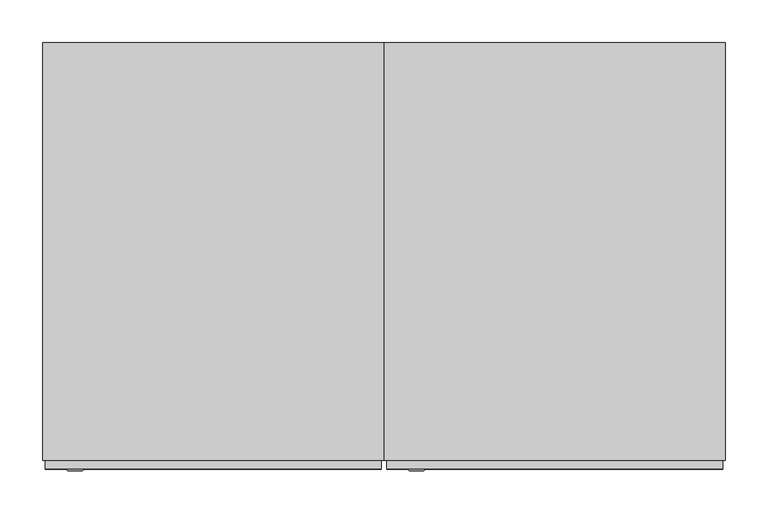
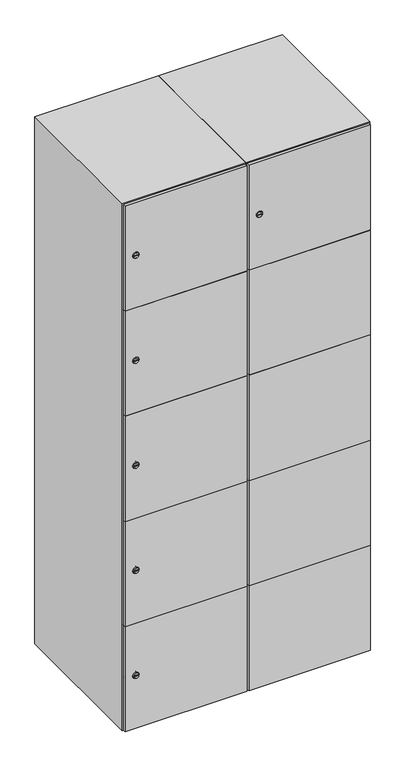
"""IFC4 building model written with IfcOpenShell, lengths in millimetres: furniture geometry."""

from ifc_helpers import new_model, si_unit, point, frame, frame_2d, origin, place, context, project, spatial, polyline, circle_curve, trimmed, segment, composite_curve, outline, extrude, faceted_brep, source, transform, mapped, element, save
from ifc_brep_helpers import plane_surface, revolved_surface, advanced_brep


def furniture_cf7b251f(model_context):
    return source(origin(), model_context, "Body", "SolidModel", [
        advanced_brep(
        [(246.5, -257.2, 1652.6), (229.5, -257.2, 1652.6), (233.0, -257.2, 1651.35), (233.0, -257.2, 1653.85), (243.0, -257.2, 1653.85), (243.0, -257.2, 1651.35), (248.5, -255.0, 1652.6), (227.5, -255.0, 1652.6), (233.0, -255.0, 1653.85), (233.0, -255.0, 1651.35), (243.0, -255.0, 1651.35), (243.0, -255.0, 1653.85)],
        [
            (0, 1, circle_curve(frame((238.0, -257.2, 1652.6), z_axis=(0.0, -1.0, 0.0), x_axis=(1.0, 0.0, 0.0)), 8.5)),
            (1, 0, circle_curve(frame((238.0, -257.2, 1652.6), z_axis=(0.0, -1.0, 0.0), x_axis=(-1.0, 0.0, 0.0)), 8.5)),
            (2, 3),
            (3, 4),
            (4, 5),
            (5, 2),
            (6, 7, circle_curve(frame((238.0, -255.0, 1652.6), z_axis=(0.0, 1.0, 0.0), x_axis=(-1.0, 0.0, 0.0)), 10.5)),
            (7, 6, circle_curve(frame((238.0, -255.0, 1652.6), z_axis=(0.0, 1.0, 0.0), x_axis=(1.0, 0.0, 0.0)), 10.5)),
            (8, 9),
            (9, 10),
            (10, 11),
            (11, 8),
            (0, 6),
            (7, 1),
            (8, 3),
            (2, 9),
            (11, 4),
            (10, 5),
        ],
        [
            plane_surface(frame((238.0, -257.2, 1652.6), z_axis=(0.0, -1.0, 0.0), x_axis=(0.0, 0.0, 1.0))),
            plane_surface(frame((238.0, -255.0, 1652.6), z_axis=(0.0, 1.0, 0.0), x_axis=(0.0, 0.0, 1.0))),
            revolved_surface(polyline([(246.5, -257.2, 1652.6), (248.5, -255.0, 1652.6)]), (238.0, -266.55, 1652.6), (0.0, 1.0, 0.0)),
            revolved_surface(polyline([(229.5, -257.2, 1652.6), (227.5, -255.0, 1652.6)]), (238.0, -266.55, 1652.6), (0.0, 1.0, 0.0)),
            plane_surface(frame((233.0, -255.0, 1651.35), z_axis=(1.0, 0.0, 0.0), x_axis=(0.0, -1.0, 0.0))),
            plane_surface(frame((233.0, -255.0, 1653.85), z_axis=(0.0, 0.0, -1.0), x_axis=(0.0, -1.0, 0.0))),
            plane_surface(frame((243.0, -255.0, 1653.85), z_axis=(-1.0, 0.0, 0.0), x_axis=(0.0, -1.0, 0.0))),
            plane_surface(frame((243.0, -255.0, 1651.35), z_axis=(0.0, 0.0, 1.0), x_axis=(0.0, -1.0, 0.0))),
        ],
        [
            (0, [[1, 2], [3, 4, 5, 6]]),
            (1, [[7, 8], [9, 10, 11, 12]]),
            (2, [[-1, 13, -8, 14]]),
            (3, [[-2, -14, -7, -13]]),
            (4, [[15, -3, 16, -9]]),
            (5, [[-15, -12, 17, -4]]),
            (6, [[-17, -11, 18, -5]]),
            (7, [[-16, -6, -18, -10]]),
        ],
    ),
        extrude(outline(polyline([(597.0, -245.0), (597.0, -255.0), (203.0, -255.0), (203.0, -245.0), (597.0, -245.0)])), frame((0.0, 0.0, 755.1), z_axis=(0.0, 0.0, 1.0), x_axis=(1.0, 0.0, 0.0)), (0.0, 0.0, 1.0), 359.8),
        extrude(outline(polyline([(597.0, -245.0), (597.0, -255.0), (203.0, -255.0), (203.0, -245.0), (597.0, -245.0)])), frame((0.0, 0.0, 396.3), z_axis=(0.0, 0.0, 1.0), x_axis=(1.0, 0.0, 0.0)), (0.0, 0.0, 1.0), 359.8),
        extrude(outline(polyline([(597.0, -245.0), (597.0, -255.0), (203.0, -255.0), (203.0, -245.0), (597.0, -245.0)])), frame((0.0, 0.0, 1113.9), z_axis=(0.0, 0.0, 1.0), x_axis=(1.0, 0.0, 0.0)), (0.0, 0.0, 1.0), 358.8),
        extrude(outline(polyline([(203.0, -255.0), (203.0, -245.0), (597.0, -245.0), (597.0, -255.0), (203.0, -255.0)])), frame((0.0, 0.0, 1473.7), z_axis=(0.0, 0.0, 1.0), x_axis=(1.0, 0.0, 0.0)), (0.0, 0.0, 1.0), 358.3),
        extrude(outline(polyline([(597.0, -245.0), (597.0, -255.0), (203.0, -255.0), (203.0, -245.0), (597.0, -245.0)])), frame((0.0, 0.0, 38.0), z_axis=(0.0, 0.0, 1.0), x_axis=(1.0, 0.0, 0.0)), (0.0, 0.0, 1.0), 359.3),
        extrude(outline(polyline([(579.6, 242.0), (579.6, -235.0), (220.4, -235.0), (220.4, 242.0), (579.6, 242.0)])), frame((0.0, 0.0, 1446.68), z_axis=(0.0, 0.0, 1.0), x_axis=(1.0, 0.0, 0.0)), (0.0, 0.0, 1.0), 20.4),
        extrude(outline(polyline([(579.6, 242.0), (579.6, -235.0), (220.4, -235.0), (220.4, 242.0), (579.6, 242.0)])), frame((0.0, 0.0, 1098.76), z_axis=(0.0, 0.0, 1.0), x_axis=(1.0, 0.0, 0.0)), (0.0, 0.0, 1.0), 20.4),
        extrude(outline(polyline([(579.6, 242.0), (579.6, -235.0), (220.4, -235.0), (220.4, 242.0), (579.6, 242.0)])), frame((0.0, 0.0, 750.84), z_axis=(0.0, 0.0, 1.0), x_axis=(1.0, 0.0, 0.0)), (0.0, 0.0, 1.0), 20.4),
        extrude(outline(polyline([(220.4, 242.0), (579.6, 242.0), (579.6, -235.0), (220.4, -235.0), (220.4, 242.0)])), frame((0.0, 0.0, 402.92), z_axis=(0.0, 0.0, 1.0), x_axis=(1.0, 0.0, 0.0)), (0.0, 0.0, 1.0), 20.4),
        faceted_brep([(600.0, -245.0, 35.0), (600.0, -245.0, 1835.0), (200.0, -245.0, 1835.0), (200.0, -245.0, 35.0), (579.6, -245.0, 1804.8), (579.6, -245.0, 65.2), (220.4, -245.0, 65.2), (220.4, -245.0, 1804.8), (600.0, 245.0, 35.0), (200.0, 245.0, 35.0), (600.0, 245.0, 1835.0), (200.0, 245.0, 1835.0), (579.6, 242.0, 1804.8), (579.6, 242.0, 65.2), (200.0, 245.0, 1804.8), (220.4, 242.0, 1804.8), (220.4, 242.0, 65.2)], [[[0, 1, 2, 3], [4, 5, 6, 7]], [[8, 0, 3, 9]], [[1, 0, 8, 10]], [[1, 10, 11, 2]], [[4, 12, 13, 5]], [[9, 3, 2, 11, 14]], [[10, 8, 9, 14, 11]], [[12, 15, 16, 13]], [[15, 7, 6, 16]], [[4, 7, 15, 12]], [[6, 5, 13, 16]]]),
        extrude(outline(composite_curve([segment(trimmed(circle_curve(frame_2d((217.4, -188.7989466)), 7.0), [point((224.4, -188.7989466))], [point((210.4, -188.7989466))], False, "CARTESIAN"), True, "CONTINUOUS"), segment(polyline([(210.4, -188.7989466), (210.4, -160.7989466)]), True, "CONTINUOUS"), segment(trimmed(circle_curve(frame_2d((217.4, -160.7989466)), 7.0), [point((210.4, -160.7989466))], [point((224.4, -160.7989466))], False, "CARTESIAN"), True, "CONTINUOUS"), segment(polyline([(224.4, -160.7989466), (224.4, -188.7989466)]), True, "CONTINUOUS")], self_intersect=False)), frame((0.0, -245.0, 0.0), z_axis=(0.0, 1.0, 0.0), x_axis=(0.0, 0.0, 1.0)), (0.0, 0.0, 1.0), 2.0),
        advanced_brep(
        [(-153.5, -257.2, 217.4), (-170.5, -257.2, 217.4), (-167.0, -257.2, 216.15), (-167.0, -257.2, 218.65), (-157.0, -257.2, 218.65), (-157.0, -257.2, 216.15), (-151.5, -255.0, 217.4), (-172.5, -255.0, 217.4), (-167.0, -255.0, 218.65), (-167.0, -255.0, 216.15), (-157.0, -255.0, 216.15), (-157.0, -255.0, 218.65)],
        [
            (0, 1, circle_curve(frame((-162.0, -257.2, 217.4), z_axis=(0.0, -1.0, 0.0), x_axis=(1.0, 0.0, 0.0)), 8.5)),
            (1, 0, circle_curve(frame((-162.0, -257.2, 217.4), z_axis=(0.0, -1.0, 0.0), x_axis=(-1.0, 0.0, 0.0)), 8.5)),
            (2, 3),
            (3, 4),
            (4, 5),
            (5, 2),
            (6, 7, circle_curve(frame((-162.0, -255.0, 217.4), z_axis=(0.0, 1.0, 0.0), x_axis=(-1.0, 0.0, 0.0)), 10.5)),
            (7, 6, circle_curve(frame((-162.0, -255.0, 217.4), z_axis=(0.0, 1.0, 0.0), x_axis=(1.0, 0.0, 0.0)), 10.5)),
            (8, 9),
            (9, 10),
            (10, 11),
            (11, 8),
            (0, 6),
            (7, 1),
            (8, 3),
            (2, 9),
            (11, 4),
            (10, 5),
        ],
        [
            plane_surface(frame((-162.0, -257.2, 217.4), z_axis=(0.0, -1.0, 0.0), x_axis=(0.0, 0.0, 1.0))),
            plane_surface(frame((-162.0, -255.0, 217.4), z_axis=(0.0, 1.0, 0.0), x_axis=(0.0, 0.0, 1.0))),
            revolved_surface(polyline([(-153.5, -257.2, 217.4), (-151.5, -255.0, 217.4)]), (-162.0, -266.55, 217.4), (0.0, 1.0, 0.0)),
            revolved_surface(polyline([(-170.5, -257.2, 217.4), (-172.5, -255.0, 217.4)]), (-162.0, -266.55, 217.4), (0.0, 1.0, 0.0)),
            plane_surface(frame((-167.0, -255.0, 216.15), z_axis=(1.0, 0.0, 0.0), x_axis=(0.0, -1.0, 0.0))),
            plane_surface(frame((-167.0, -255.0, 218.65), z_axis=(0.0, 0.0, -1.0), x_axis=(0.0, -1.0, 0.0))),
            plane_surface(frame((-157.0, -255.0, 218.65), z_axis=(-1.0, 0.0, 0.0), x_axis=(0.0, -1.0, 0.0))),
            plane_surface(frame((-157.0, -255.0, 216.15), z_axis=(0.0, 0.0, 1.0), x_axis=(0.0, -1.0, 0.0))),
        ],
        [
            (0, [[1, 2], [3, 4, 5, 6]]),
            (1, [[7, 8], [9, 10, 11, 12]]),
            (2, [[-1, 13, -8, 14]]),
            (3, [[-2, -14, -7, -13]]),
            (4, [[15, -3, 16, -9]]),
            (5, [[-15, -12, 17, -4]]),
            (6, [[-17, -11, 18, -5]]),
            (7, [[-16, -6, -18, -10]]),
        ],
    ),
        extrude(outline(composite_curve([segment(trimmed(circle_curve(frame_2d((576.2, -188.7989466)), 7.0), [point((583.2, -188.7989466))], [point((569.2, -188.7989466))], False, "CARTESIAN"), True, "CONTINUOUS"), segment(polyline([(569.2, -188.7989466), (569.2, -160.7989466)]), True, "CONTINUOUS"), segment(trimmed(circle_curve(frame_2d((576.2, -160.7989466)), 7.0), [point((569.2, -160.7989466))], [point((583.2, -160.7989466))], False, "CARTESIAN"), True, "CONTINUOUS"), segment(polyline([(583.2, -160.7989466), (583.2, -188.7989466)]), True, "CONTINUOUS")], self_intersect=False)), frame((0.0, -245.0, 0.0), z_axis=(0.0, 1.0, 0.0), x_axis=(0.0, 0.0, 1.0)), (0.0, 0.0, 1.0), 2.0),
        advanced_brep(
        [(-153.5, -257.2, 576.2), (-170.5, -257.2, 576.2), (-167.0, -257.2, 574.95), (-167.0, -257.2, 577.45), (-157.0, -257.2, 577.45), (-157.0, -257.2, 574.95), (-151.5, -255.0, 576.2), (-172.5, -255.0, 576.2), (-167.0, -255.0, 577.45), (-167.0, -255.0, 574.95), (-157.0, -255.0, 574.95), (-157.0, -255.0, 577.45)],
        [
            (0, 1, circle_curve(frame((-162.0, -257.2, 576.2), z_axis=(0.0, -1.0, 0.0), x_axis=(1.0, 0.0, 0.0)), 8.5)),
            (1, 0, circle_curve(frame((-162.0, -257.2, 576.2), z_axis=(0.0, -1.0, 0.0), x_axis=(-1.0, 0.0, 0.0)), 8.5)),
            (2, 3),
            (3, 4),
            (4, 5),
            (5, 2),
            (6, 7, circle_curve(frame((-162.0, -255.0, 576.2), z_axis=(0.0, 1.0, 0.0), x_axis=(-1.0, 0.0, 0.0)), 10.5)),
            (7, 6, circle_curve(frame((-162.0, -255.0, 576.2), z_axis=(0.0, 1.0, 0.0), x_axis=(1.0, 0.0, 0.0)), 10.5)),
            (8, 9),
            (9, 10),
            (10, 11),
            (11, 8),
            (0, 6),
            (7, 1),
            (8, 3),
            (2, 9),
            (11, 4),
            (10, 5),
        ],
        [
            plane_surface(frame((-162.0, -257.2, 576.2), z_axis=(0.0, -1.0, 0.0), x_axis=(0.0, 0.0, 1.0))),
            plane_surface(frame((-162.0, -255.0, 576.2), z_axis=(0.0, 1.0, 0.0), x_axis=(0.0, 0.0, 1.0))),
            revolved_surface(polyline([(-153.5, -257.2, 576.2), (-151.5, -255.0, 576.2)]), (-162.0, -266.55, 576.2), (0.0, 1.0, 0.0)),
            revolved_surface(polyline([(-170.5, -257.2, 576.2), (-172.5, -255.0, 576.2)]), (-162.0, -266.55, 576.2), (0.0, 1.0, 0.0)),
            plane_surface(frame((-167.0, -255.0, 574.95), z_axis=(1.0, 0.0, 0.0), x_axis=(0.0, -1.0, 0.0))),
            plane_surface(frame((-167.0, -255.0, 577.45), z_axis=(0.0, 0.0, -1.0), x_axis=(0.0, -1.0, 0.0))),
            plane_surface(frame((-157.0, -255.0, 577.45), z_axis=(-1.0, 0.0, 0.0), x_axis=(0.0, -1.0, 0.0))),
            plane_surface(frame((-157.0, -255.0, 574.95), z_axis=(0.0, 0.0, 1.0), x_axis=(0.0, -1.0, 0.0))),
        ],
        [
            (0, [[1, 2], [3, 4, 5, 6]]),
            (1, [[7, 8], [9, 10, 11, 12]]),
            (2, [[-1, 13, -8, 14]]),
            (3, [[-2, -14, -7, -13]]),
            (4, [[15, -3, 16, -9]]),
            (5, [[-15, -12, 17, -4]]),
            (6, [[-17, -11, 18, -5]]),
            (7, [[-16, -6, -18, -10]]),
        ],
    ),
        extrude(outline(composite_curve([segment(trimmed(circle_curve(frame_2d((935.0, -188.7989466)), 7.0), [point((942.0, -188.7989466))], [point((928.0, -188.7989466))], False, "CARTESIAN"), True, "CONTINUOUS"), segment(polyline([(928.0, -188.7989466), (928.0, -160.7989466)]), True, "CONTINUOUS"), segment(trimmed(circle_curve(frame_2d((935.0, -160.7989466)), 7.0), [point((928.0, -160.7989466))], [point((942.0, -160.7989466))], False, "CARTESIAN"), True, "CONTINUOUS"), segment(polyline([(942.0, -160.7989466), (942.0, -188.7989466)]), True, "CONTINUOUS")], self_intersect=False)), frame((0.0, -245.0, 0.0), z_axis=(0.0, 1.0, 0.0), x_axis=(0.0, 0.0, 1.0)), (0.0, 0.0, 1.0), 2.0),
        advanced_brep(
        [(-153.5, -257.2, 935.0), (-170.5, -257.2, 935.0), (-167.0, -257.2, 933.75), (-167.0, -257.2, 936.25), (-157.0, -257.2, 936.25), (-157.0, -257.2, 933.75), (-151.5, -255.0, 935.0), (-172.5, -255.0, 935.0), (-167.0, -255.0, 936.25), (-167.0, -255.0, 933.75), (-157.0, -255.0, 933.75), (-157.0, -255.0, 936.25)],
        [
            (0, 1, circle_curve(frame((-162.0, -257.2, 935.0), z_axis=(0.0, -1.0, 0.0), x_axis=(1.0, 0.0, 0.0)), 8.5)),
            (1, 0, circle_curve(frame((-162.0, -257.2, 935.0), z_axis=(0.0, -1.0, 0.0), x_axis=(-1.0, 0.0, 0.0)), 8.5)),
            (2, 3),
            (3, 4),
            (4, 5),
            (5, 2),
            (6, 7, circle_curve(frame((-162.0, -255.0, 935.0), z_axis=(0.0, 1.0, 0.0), x_axis=(-1.0, 0.0, 0.0)), 10.5)),
            (7, 6, circle_curve(frame((-162.0, -255.0, 935.0), z_axis=(0.0, 1.0, 0.0), x_axis=(1.0, 0.0, 0.0)), 10.5)),
            (8, 9),
            (9, 10),
            (10, 11),
            (11, 8),
            (0, 6),
            (7, 1),
            (8, 3),
            (2, 9),
            (11, 4),
            (10, 5),
        ],
        [
            plane_surface(frame((-162.0, -257.2, 935.0), z_axis=(0.0, -1.0, 0.0), x_axis=(0.0, 0.0, 1.0))),
            plane_surface(frame((-162.0, -255.0, 935.0), z_axis=(0.0, 1.0, 0.0), x_axis=(0.0, 0.0, 1.0))),
            revolved_surface(polyline([(-153.5, -257.2, 935.0), (-151.5, -255.0, 935.0)]), (-162.0, -266.55, 935.0), (0.0, 1.0, 0.0)),
            revolved_surface(polyline([(-170.5, -257.2, 935.0), (-172.5, -255.0, 935.0)]), (-162.0, -266.55, 935.0), (0.0, 1.0, 0.0)),
            plane_surface(frame((-167.0, -255.0, 933.75), z_axis=(1.0, 0.0, 0.0), x_axis=(0.0, -1.0, 0.0))),
            plane_surface(frame((-167.0, -255.0, 936.25), z_axis=(0.0, 0.0, -1.0), x_axis=(0.0, -1.0, 0.0))),
            plane_surface(frame((-157.0, -255.0, 936.25), z_axis=(-1.0, 0.0, 0.0), x_axis=(0.0, -1.0, 0.0))),
            plane_surface(frame((-157.0, -255.0, 933.75), z_axis=(0.0, 0.0, 1.0), x_axis=(0.0, -1.0, 0.0))),
        ],
        [
            (0, [[1, 2], [3, 4, 5, 6]]),
            (1, [[7, 8], [9, 10, 11, 12]]),
            (2, [[-1, 13, -8, 14]]),
            (3, [[-2, -14, -7, -13]]),
            (4, [[15, -3, 16, -9]]),
            (5, [[-15, -12, 17, -4]]),
            (6, [[-17, -11, 18, -5]]),
            (7, [[-16, -6, -18, -10]]),
        ],
    ),
        extrude(outline(composite_curve([segment(trimmed(circle_curve(frame_2d((1293.8, -188.7989466)), 7.0), [point((1300.8, -188.7989466))], [point((1286.8, -188.7989466))], False, "CARTESIAN"), True, "CONTINUOUS"), segment(polyline([(1286.8, -188.7989466), (1286.8, -160.7989466)]), True, "CONTINUOUS"), segment(trimmed(circle_curve(frame_2d((1293.8, -160.7989466)), 7.0), [point((1286.8, -160.7989466))], [point((1300.8, -160.7989466))], False, "CARTESIAN"), True, "CONTINUOUS"), segment(polyline([(1300.8, -160.7989466), (1300.8, -188.7989466)]), True, "CONTINUOUS")], self_intersect=False)), frame((0.0, -245.0, 0.0), z_axis=(0.0, 1.0, 0.0), x_axis=(0.0, 0.0, 1.0)), (0.0, 0.0, 1.0), 2.0),
        advanced_brep(
        [(-153.5, -257.2, 1293.8), (-170.5, -257.2, 1293.8), (-167.0, -257.2, 1292.55), (-167.0, -257.2, 1295.05), (-157.0, -257.2, 1295.05), (-157.0, -257.2, 1292.55), (-151.5, -255.0, 1293.8), (-172.5, -255.0, 1293.8), (-167.0, -255.0, 1295.05), (-167.0, -255.0, 1292.55), (-157.0, -255.0, 1292.55), (-157.0, -255.0, 1295.05)],
        [
            (0, 1, circle_curve(frame((-162.0, -257.2, 1293.8), z_axis=(0.0, -1.0, 0.0), x_axis=(1.0, 0.0, 0.0)), 8.5)),
            (1, 0, circle_curve(frame((-162.0, -257.2, 1293.8), z_axis=(0.0, -1.0, 0.0), x_axis=(-1.0, 0.0, 0.0)), 8.5)),
            (2, 3),
            (3, 4),
            (4, 5),
            (5, 2),
            (6, 7, circle_curve(frame((-162.0, -255.0, 1293.8), z_axis=(0.0, 1.0, 0.0), x_axis=(-1.0, 0.0, 0.0)), 10.5)),
            (7, 6, circle_curve(frame((-162.0, -255.0, 1293.8), z_axis=(0.0, 1.0, 0.0), x_axis=(1.0, 0.0, 0.0)), 10.5)),
            (8, 9),
            (9, 10),
            (10, 11),
            (11, 8),
            (0, 6),
            (7, 1),
            (8, 3),
            (2, 9),
            (11, 4),
            (10, 5),
        ],
        [
            plane_surface(frame((-162.0, -257.2, 1293.8), z_axis=(0.0, -1.0, 0.0), x_axis=(0.0, 0.0, 1.0))),
            plane_surface(frame((-162.0, -255.0, 1293.8), z_axis=(0.0, 1.0, 0.0), x_axis=(0.0, 0.0, 1.0))),
            revolved_surface(polyline([(-153.5, -257.2, 1293.8), (-151.5, -255.0, 1293.8)]), (-162.0, -266.55, 1293.8), (0.0, 1.0, 0.0)),
            revolved_surface(polyline([(-170.5, -257.2, 1293.8), (-172.5, -255.0, 1293.8)]), (-162.0, -266.55, 1293.8), (0.0, 1.0, 0.0)),
            plane_surface(frame((-167.0, -255.0, 1292.55), z_axis=(1.0, 0.0, 0.0), x_axis=(0.0, -1.0, 0.0))),
            plane_surface(frame((-167.0, -255.0, 1295.05), z_axis=(0.0, 0.0, -1.0), x_axis=(0.0, -1.0, 0.0))),
            plane_surface(frame((-157.0, -255.0, 1295.05), z_axis=(-1.0, 0.0, 0.0), x_axis=(0.0, -1.0, 0.0))),
            plane_surface(frame((-157.0, -255.0, 1292.55), z_axis=(0.0, 0.0, 1.0), x_axis=(0.0, -1.0, 0.0))),
        ],
        [
            (0, [[1, 2], [3, 4, 5, 6]]),
            (1, [[7, 8], [9, 10, 11, 12]]),
            (2, [[-1, 13, -8, 14]]),
            (3, [[-2, -14, -7, -13]]),
            (4, [[15, -3, 16, -9]]),
            (5, [[-15, -12, 17, -4]]),
            (6, [[-17, -11, 18, -5]]),
            (7, [[-16, -6, -18, -10]]),
        ],
    ),
        extrude(outline(composite_curve([segment(trimmed(circle_curve(frame_2d((1652.6, -188.7989466)), 7.0), [point((1659.6, -188.7989466))], [point((1645.6, -188.7989466))], False, "CARTESIAN"), True, "CONTINUOUS"), segment(polyline([(1645.6, -188.7989466), (1645.6, -160.7989466)]), True, "CONTINUOUS"), segment(trimmed(circle_curve(frame_2d((1652.6, -160.7989466)), 7.0), [point((1645.6, -160.7989466))], [point((1659.6, -160.7989466))], False, "CARTESIAN"), True, "CONTINUOUS"), segment(polyline([(1659.6, -160.7989466), (1659.6, -188.7989466)]), True, "CONTINUOUS")], self_intersect=False)), frame((0.0, -245.0, 0.0), z_axis=(0.0, 1.0, 0.0), x_axis=(0.0, 0.0, 1.0)), (0.0, 0.0, 1.0), 2.0),
        advanced_brep(
        [(-153.5, -257.2, 1652.6), (-170.5, -257.2, 1652.6), (-167.0, -257.2, 1651.35), (-167.0, -257.2, 1653.85), (-157.0, -257.2, 1653.85), (-157.0, -257.2, 1651.35), (-151.5, -255.0, 1652.6), (-172.5, -255.0, 1652.6), (-167.0, -255.0, 1653.85), (-167.0, -255.0, 1651.35), (-157.0, -255.0, 1651.35), (-157.0, -255.0, 1653.85)],
        [
            (0, 1, circle_curve(frame((-162.0, -257.2, 1652.6), z_axis=(0.0, -1.0, 0.0), x_axis=(1.0, 0.0, 0.0)), 8.5)),
            (1, 0, circle_curve(frame((-162.0, -257.2, 1652.6), z_axis=(0.0, -1.0, 0.0), x_axis=(-1.0, 0.0, 0.0)), 8.5)),
            (2, 3),
            (3, 4),
            (4, 5),
            (5, 2),
            (6, 7, circle_curve(frame((-162.0, -255.0, 1652.6), z_axis=(0.0, 1.0, 0.0), x_axis=(-1.0, 0.0, 0.0)), 10.5)),
            (7, 6, circle_curve(frame((-162.0, -255.0, 1652.6), z_axis=(0.0, 1.0, 0.0), x_axis=(1.0, 0.0, 0.0)), 10.5)),
            (8, 9),
            (9, 10),
            (10, 11),
            (11, 8),
            (0, 6),
            (7, 1),
            (8, 3),
            (2, 9),
            (11, 4),
            (10, 5),
        ],
        [
            plane_surface(frame((-162.0, -257.2, 1652.6), z_axis=(0.0, -1.0, 0.0), x_axis=(0.0, 0.0, 1.0))),
            plane_surface(frame((-162.0, -255.0, 1652.6), z_axis=(0.0, 1.0, 0.0), x_axis=(0.0, 0.0, 1.0))),
            revolved_surface(polyline([(-153.5, -257.2, 1652.6), (-151.5, -255.0, 1652.6)]), (-162.0, -266.55, 1652.6), (0.0, 1.0, 0.0)),
            revolved_surface(polyline([(-170.5, -257.2, 1652.6), (-172.5, -255.0, 1652.6)]), (-162.0, -266.55, 1652.6), (0.0, 1.0, 0.0)),
            plane_surface(frame((-167.0, -255.0, 1651.35), z_axis=(1.0, 0.0, 0.0), x_axis=(0.0, -1.0, 0.0))),
            plane_surface(frame((-167.0, -255.0, 1653.85), z_axis=(0.0, 0.0, -1.0), x_axis=(0.0, -1.0, 0.0))),
            plane_surface(frame((-157.0, -255.0, 1653.85), z_axis=(-1.0, 0.0, 0.0), x_axis=(0.0, -1.0, 0.0))),
            plane_surface(frame((-157.0, -255.0, 1651.35), z_axis=(0.0, 0.0, 1.0), x_axis=(0.0, -1.0, 0.0))),
        ],
        [
            (0, [[1, 2], [3, 4, 5, 6]]),
            (1, [[7, 8], [9, 10, 11, 12]]),
            (2, [[-1, 13, -8, 14]]),
            (3, [[-2, -14, -7, -13]]),
            (4, [[15, -3, 16, -9]]),
            (5, [[-15, -12, 17, -4]]),
            (6, [[-17, -11, 18, -5]]),
            (7, [[-16, -6, -18, -10]]),
        ],
    ),
        extrude(outline(polyline([(197.0, -245.0), (197.0, -255.0), (-197.0, -255.0), (-197.0, -245.0), (197.0, -245.0)])), frame((0.0, 0.0, 755.1), z_axis=(0.0, 0.0, 1.0), x_axis=(1.0, 0.0, 0.0)), (0.0, 0.0, 1.0), 359.8),
        extrude(outline(polyline([(197.0, -245.0), (197.0, -255.0), (-197.0, -255.0), (-197.0, -245.0), (197.0, -245.0)])), frame((0.0, 0.0, 396.3), z_axis=(0.0, 0.0, 1.0), x_axis=(1.0, 0.0, 0.0)), (0.0, 0.0, 1.0), 359.8),
        extrude(outline(polyline([(197.0, -245.0), (197.0, -255.0), (-197.0, -255.0), (-197.0, -245.0), (197.0, -245.0)])), frame((0.0, 0.0, 1113.9), z_axis=(0.0, 0.0, 1.0), x_axis=(1.0, 0.0, 0.0)), (0.0, 0.0, 1.0), 358.8),
        extrude(outline(polyline([(-197.0, -255.0), (-197.0, -245.0), (197.0, -245.0), (197.0, -255.0), (-197.0, -255.0)])), frame((0.0, 0.0, 1473.7), z_axis=(0.0, 0.0, 1.0), x_axis=(1.0, 0.0, 0.0)), (0.0, 0.0, 1.0), 358.3),
        extrude(outline(polyline([(197.0, -245.0), (197.0, -255.0), (-197.0, -255.0), (-197.0, -245.0), (197.0, -245.0)])), frame((0.0, 0.0, 38.0), z_axis=(0.0, 0.0, 1.0), x_axis=(1.0, 0.0, 0.0)), (0.0, 0.0, 1.0), 359.3),
        extrude(outline(polyline([(179.6, 242.0), (179.6, -235.0), (-179.6, -235.0), (-179.6, 242.0), (179.6, 242.0)])), frame((0.0, 0.0, 1446.68), z_axis=(0.0, 0.0, 1.0), x_axis=(1.0, 0.0, 0.0)), (0.0, 0.0, 1.0), 20.4),
        extrude(outline(polyline([(179.6, 242.0), (179.6, -235.0), (-179.6, -235.0), (-179.6, 242.0), (179.6, 242.0)])), frame((0.0, 0.0, 1098.76), z_axis=(0.0, 0.0, 1.0), x_axis=(1.0, 0.0, 0.0)), (0.0, 0.0, 1.0), 20.4),
        extrude(outline(polyline([(179.6, 242.0), (179.6, -235.0), (-179.6, -235.0), (-179.6, 242.0), (179.6, 242.0)])), frame((0.0, 0.0, 750.84), z_axis=(0.0, 0.0, 1.0), x_axis=(1.0, 0.0, 0.0)), (0.0, 0.0, 1.0), 20.4),
        extrude(outline(polyline([(-179.6, 242.0), (179.6, 242.0), (179.6, -235.0), (-179.6, -235.0), (-179.6, 242.0)])), frame((0.0, 0.0, 402.92), z_axis=(0.0, 0.0, 1.0), x_axis=(1.0, 0.0, 0.0)), (0.0, 0.0, 1.0), 20.4),
        faceted_brep([(200.0, -245.0, 35.0), (200.0, -245.0, 1835.0), (-200.0, -245.0, 1835.0), (-200.0, -245.0, 35.0), (179.6, -245.0, 1804.8), (179.6, -245.0, 65.2), (-179.6, -245.0, 65.2), (-179.6, -245.0, 1804.8), (200.0, 245.0, 35.0), (-200.0, 245.0, 35.0), (200.0, 245.0, 1835.0), (-200.0, 245.0, 1835.0), (179.6, 242.0, 1804.8), (179.6, 242.0, 65.2), (-200.0, 245.0, 1804.8), (-179.6, 242.0, 1804.8), (-179.6, 242.0, 65.2)], [[[0, 1, 2, 3], [4, 5, 6, 7]], [[8, 0, 3, 9]], [[1, 0, 8, 10]], [[1, 10, 11, 2]], [[4, 12, 13, 5]], [[9, 3, 2, 11, 14]], [[10, 8, 9, 14, 11]], [[12, 15, 16, 13]], [[15, 7, 6, 16]], [[4, 7, 15, 12]], [[6, 5, 13, 16]]]),
    ])


if __name__ == "__main__":
    model = new_model("IFC4")
    model_context = context("Model", 3, world=origin())
    ifc_project = project(units=[si_unit("LENGTHUNIT", "METRE", prefix="MILLI")], contexts=[model_context])
    site = spatial("IfcSite", under=ifc_project)
    building = spatial("IfcBuilding", under=site)
    placement = place(None, origin())
    furniture_shape = furniture_cf7b251f(model_context)
    element("IfcFurniture", 1, at=placement, inside=building, context=model_context, shape_type="MappedRepresentation", body=[
        mapped(furniture_shape, transform((0.0, 0.0, 0.0), x_axis=(1.0, 0.0, 0.0), y_axis=(0.0, 1.0, 0.0), z_axis=(0.0, 0.0, 1.0))),
    ])
    save(model, "model.ifc")
